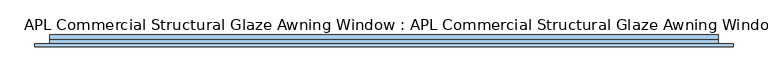
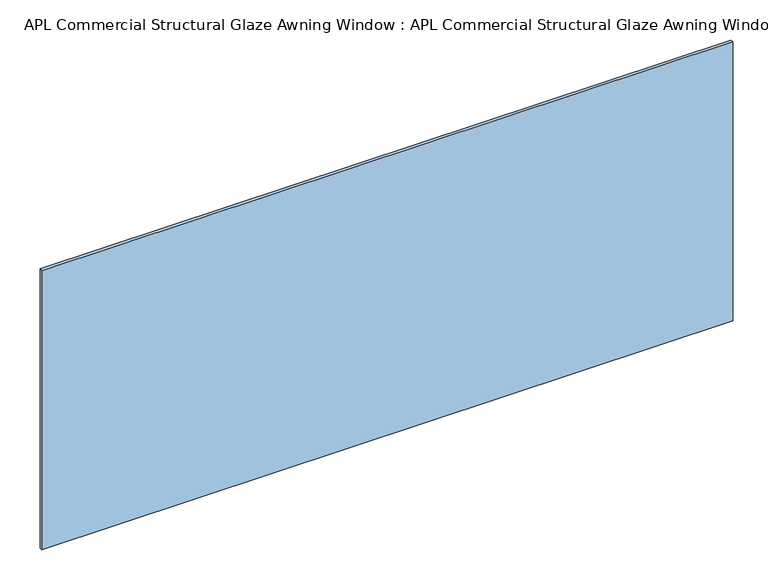
"""IFC4 building model written with IfcOpenShell, lengths in millimetres: window geometry, APL Commercial Structural Glaze Awning Window : APL Commercial Structural Glaze Awning Window."""

import ifcopenshell
import ifcopenshell.guid

model = None  # the IFC model being written
_history = None  # IfcOwnerHistory: only IFC2X3 demands one
_inside = {}  # id of a spatial element -> (the spatial element, [elements in it])
_under = {}  # id of a project, library or spatial element -> (it, [spatial elements below it])
_declared = {}  # id of a project -> (the project, [libraries it declares])
_typed = {}  # id of a type object -> (the type object, [elements of that type])
_made_of = {}  # id of a material, layer set ... -> (it, [elements and type objects made of it])


def new_model(schema):
    """Start an empty IFC model of exactly this schema.

    Asked for "IFC4X3", IfcOpenShell would pick the latest addendum, in which some entities
    have other attributes; the version numbers below select the first issue.
    IFC2X3 requires an IfcOwnerHistory on every rooted entity: one is made here for all.
    """
    global model, _history
    if schema == "IFC4X3":
        model = ifcopenshell.file(schema_version=(4, 3, 0, 0))
    else:
        model = ifcopenshell.file(schema=schema)
    _inside.clear()
    _under.clear()
    _declared.clear()
    _typed.clear()
    _made_of.clear()
    _history = None
    if model.schema == "IFC2X3":
        org = make("IfcOrganization", Name="unknown")
        user = make(
            "IfcPersonAndOrganization",
            ThePerson=make("IfcPerson", FamilyName="unknown"),
            TheOrganization=org,
        )
        app = make(
            "IfcApplication",
            ApplicationDeveloper=org,
            Version="unknown",
            ApplicationFullName="unknown",
            ApplicationIdentifier="unknown",
        )
        _history = make(
            "IfcOwnerHistory",
            OwningUser=user,
            OwningApplication=app,
            ChangeAction="ADDED",
            CreationDate=0,
        )
    return model


def make(cls, **values):
    """One entity of the class cls with the attributes given. An attribute that is None is left unset."""
    return model.create_entity(
        cls, **{name: value for name, value in values.items() if value is not None}
    )


def rooted(cls, **values):
    """An entity with a GlobalId (a new one), such as an element, a storey or a relation."""
    return make(cls, GlobalId=ifcopenshell.guid.new(), OwnerHistory=_history, **values)


def si_unit(unit_type, name, prefix=None):
    """IfcSIUnit, for example si_unit("LENGTHUNIT", "METRE", prefix="MILLI")."""
    return make("IfcSIUnit", UnitType=unit_type, Prefix=prefix, Name=name)


def assignment(units):
    """IfcUnitAssignment: the units of a project."""
    return None if units is None else make("IfcUnitAssignment", Units=units)


def point(xyz):
    """IfcCartesianPoint."""
    return None if xyz is None else make("IfcCartesianPoint", Coordinates=xyz)


def direction(xyz):
    """IfcDirection."""
    return None if xyz is None else make("IfcDirection", DirectionRatios=xyz)


def frame(location, z_axis=None, x_axis=None):
    """IfcAxis2Placement3D, a coordinate frame: its origin and axes. An axis left out is left unset."""
    return make(
        "IfcAxis2Placement3D",
        Location=point(location),
        Axis=direction(z_axis),
        RefDirection=direction(x_axis),
    )


def origin():
    """The frame at (0, 0, 0) with its axes left unset."""
    return frame((0.0, 0.0, 0.0))


def place(relative_to, where):
    """IfcLocalPlacement: puts the frame where relative to a parent placement (None: the world)."""
    return make(
        "IfcLocalPlacement", PlacementRelTo=relative_to, RelativePlacement=where
    )


def context(
    kind, dimensions, precision=None, world=None, true_north=None, identifier=None
):
    """IfcGeometricRepresentationContext, for example the 3D "Model" context."""
    return make(
        "IfcGeometricRepresentationContext",
        ContextIdentifier=identifier,
        ContextType=kind,
        CoordinateSpaceDimension=dimensions,
        Precision=precision,
        WorldCoordinateSystem=world,
        TrueNorth=true_north,
    )


def project(units=None, contexts=None):
    """IfcProject with its units and contexts."""
    return rooted(
        "IfcProject",
        Name="project",
        RepresentationContexts=contexts,
        UnitsInContext=assignment(units),
    )


def spatial(cls, under=None, at=None, **own):
    """A site, building, storey or space (cls), placed at a placement, below another one or the project."""
    s = rooted(cls, ObjectPlacement=at, **own)
    if under is not None:
        _under.setdefault(under.id(), (under, []))[1].append(s)
    return s


def polyline(points):
    """IfcPolyline through the points."""
    return make("IfcPolyline", Points=[point(p) for p in points])


def outline(outer, holes=None, kind="AREA"):
    """IfcArbitraryClosedProfileDef: a profile drawn as a closed curve; with holes, ...WithVoids."""
    if holes is None:
        return make("IfcArbitraryClosedProfileDef", ProfileType=kind, OuterCurve=outer)
    return make(
        "IfcArbitraryProfileDefWithVoids",
        ProfileType=kind,
        OuterCurve=outer,
        InnerCurves=holes,
    )


def extrude(swept, where, along, depth):
    """IfcExtrudedAreaSolid: the profile swept, set in the frame where, extruded along a direction by depth."""
    return make(
        "IfcExtrudedAreaSolid",
        SweptArea=swept,
        Position=where,
        ExtrudedDirection=direction(along),
        Depth=depth,
    )


def shape(context_of_items, identifier, shape_type, items):
    """IfcShapeRepresentation: the items that make up one representation, for example the "Body"."""
    return make(
        "IfcShapeRepresentation",
        ContextOfItems=context_of_items,
        RepresentationIdentifier=identifier,
        RepresentationType=shape_type,
        Items=items,
    )


def source(mapping_origin, context_of_items, identifier, shape_type, items):
    """IfcRepresentationMap: a shape defined once, which mapped items show again and again."""
    return make(
        "IfcRepresentationMap",
        MappingOrigin=mapping_origin,
        MappedRepresentation=shape(context_of_items, identifier, shape_type, items),
    )


def transform(
    local_origin,
    x_axis=None,
    y_axis=None,
    z_axis=None,
    scale=None,
    scale2=None,
    scale3=None,
    uniform=True,
):
    """IfcCartesianTransformationOperator3D, or its non-uniform kind. x_axis, y_axis, z_axis: its Axis1, 2, 3."""
    if uniform:
        return make(
            "IfcCartesianTransformationOperator3D",
            Axis1=direction(x_axis),
            Axis2=direction(y_axis),
            LocalOrigin=point(local_origin),
            Scale=scale,
            Axis3=direction(z_axis),
        )
    return make(
        "IfcCartesianTransformationOperator3DnonUniform",
        Axis1=direction(x_axis),
        Axis2=direction(y_axis),
        LocalOrigin=point(local_origin),
        Scale=scale,
        Axis3=direction(z_axis),
        Scale2=scale2,
        Scale3=scale3,
    )


def mapped(mapping_source, mapping_target):
    """IfcMappedItem: shows the shape of a source again, moved by a transform."""
    return make(
        "IfcMappedItem", MappingSource=mapping_source, MappingTarget=mapping_target
    )


def made_of(thing, what):
    """Note that an element or type object is made of a material, layer set ...; save() writes the relation."""
    if what is not None:
        _made_of.setdefault(what.id(), (what, []))[1].append(thing)
    return thing


def element(
    cls,
    number,
    at=None,
    inside=None,
    cuts=None,
    type_object=None,
    material=None,
    context=None,
    identifier="Body",
    shape_type=None,
    held_by="IfcProductDefinitionShape",
    body=None,
    shapes=None,
    **own,
):
    """One element of the class cls, such as IfcWall. Its Tag is "e" and its number.

    at: its placement. inside: the storey or other place that contains it. cuts: it is an
    opening in that element (IfcRelVoidsElement). A single representation is given by context,
    identifier, shape_type and body (its items); several are given by shapes. held_by: the class
    of the entity that holds the representations. save() writes the other relations.
    """
    e = rooted(cls, Tag="e%d" % number, ObjectPlacement=at, **own)
    if body is not None:
        shapes = [shape(context, identifier, shape_type, body)]
    if shapes is not None:
        e.Representation = make(held_by, Representations=shapes)
    if inside is not None:
        _inside.setdefault(inside.id(), (inside, []))[1].append(e)
    if cuts is not None:
        rooted(
            "IfcRelVoidsElement", RelatingBuildingElement=cuts, RelatedOpeningElement=e
        )
    if type_object is not None:
        _typed.setdefault(type_object.id(), (type_object, []))[1].append(e)
    return made_of(e, material)


def aggregate(whole, parts):
    """IfcRelAggregates: a whole, such as a stair, and the parts it consists of."""
    return rooted("IfcRelAggregates", RelatingObject=whole, RelatedObjects=parts)


def save(model, path):
    """Write the relations noted so far, then the file.

    IfcRelAggregates (storeys below a building ...), IfcRelContainedInSpatialStructure (elements
    in a storey), IfcRelDefinesByType, IfcRelAssociatesMaterial and IfcRelDeclares: one each for
    every whole, place, type object, material and project.
    """
    for whole, parts in _under.values():
        aggregate(whole, parts)
    for where, things in _inside.values():
        rooted(
            "IfcRelContainedInSpatialStructure",
            RelatedElements=things,
            RelatingStructure=where,
        )
    for kind, things in _typed.values():
        rooted("IfcRelDefinesByType", RelatedObjects=things, RelatingType=kind)
    for what, things in _made_of.values():
        rooted("IfcRelAssociatesMaterial", RelatedObjects=things, RelatingMaterial=what)
    for by, libraries in _declared.values():
        rooted("IfcRelDeclares", RelatingContext=by, RelatedDefinitions=libraries)
    model.write(path)


def apl_commercial_structural_glaze_awning_window_apl_commercial_cd317ac8(model_context):
    return source(origin(), model_context, "Body", "SweptSolid", [
        extrude(outline(polyline([(637.6051591, -741.6000844), (42.3999314, -741.6000844), (42.3999314, 741.6000374), (637.6051591, 741.6000374), (637.6051591, -741.6000844)]), holes=[polyline([(629.6051591, -733.6000844), (629.6051591, 733.6000374), (50.3999314, 733.6000374), (50.3999314, -733.6000844), (629.6051591, -733.6000844)])]), frame((0.0, -3.4198998, 0.0), z_axis=(0.0, 1.0, 0.0), x_axis=(0.0, 0.0, 1.0)), (0.0, 0.0, 1.0), 9.620037),
        extrude(outline(polyline([(741.6001295, 6.2001372), (-741.6001295, 6.2001372), (-741.6001295, 16.5800173), (741.6001295, 16.5800173), (741.6001295, 6.2001372)])), frame((0.0, 0.0, 42.3999314), z_axis=(0.0, 0.0, 1.0), x_axis=(1.0, 0.0, 0.0)), (0.0, 0.0, 1.0), 595.2052277),
        extrude(outline(polyline([(629.6051591, -733.6000844), (50.3999314, -733.6000844), (50.3999314, 733.6000374), (629.6051591, 733.6000374), (629.6051591, -733.6000844)]), holes=[polyline([(621.6051591, -725.6000844), (621.6051591, 725.6000374), (58.3999314, 725.6000374), (58.3999314, -725.6000844), (621.6051591, -725.6000844)])]), frame((0.0, -3.4198998, 0.0), z_axis=(0.0, 1.0, 0.0), x_axis=(0.0, 0.0, 1.0)), (0.0, 0.0, 1.0), 9.620037),
        extrude(outline(polyline([(725.6000374, -3.4198998), (-725.6000844, -3.4198998), (-725.6000844, 6.2001372), (725.6000374, 6.2001372), (725.6000374, -3.4198998)])), frame((0.0, 0.0, 58.3999314), z_axis=(0.0, 0.0, 1.0), x_axis=(1.0, 0.0, 0.0)), (0.0, 0.0, 1.0), 563.2052277),
        extrude(outline(polyline([(774.5000609, -9.7999453), (-774.5000609, -9.7999453), (-774.5000609, -3.4198998), (774.5000609, -3.4198998), (774.5000609, -9.7999453)])), frame((0.0, 0.0, 9.5), z_axis=(0.0, 0.0, 1.0), x_axis=(1.0, 0.0, 0.0)), (0.0, 0.0, 1.0), 661.0050906),
    ])


if __name__ == "__main__":
    model = new_model("IFC4")
    model_context = context("Model", 3, world=origin())
    ifc_project = project(units=[si_unit("LENGTHUNIT", "METRE", prefix="MILLI")], contexts=[model_context])
    site = spatial("IfcSite", under=ifc_project)
    building = spatial("IfcBuilding", under=site)
    placement = place(None, origin())
    apl_commercial_structural_glaze_awning_window_apl_commercial_shape = apl_commercial_structural_glaze_awning_window_apl_commercial_cd317ac8(model_context)
    element("IfcWindow", 1, ObjectType="APL Commercial Structural Glaze Awning Window : APL Commercial Structural Glaze Awning Window", at=placement, inside=building, context=model_context, shape_type="MappedRepresentation", body=[
        mapped(apl_commercial_structural_glaze_awning_window_apl_commercial_shape, transform((0.0, 0.0, 0.0), x_axis=(1.0, 0.0, 0.0), y_axis=(0.0, 1.0, 0.0), z_axis=(0.0, 0.0, 1.0))),
    ])
    save(model, "model.ifc")
